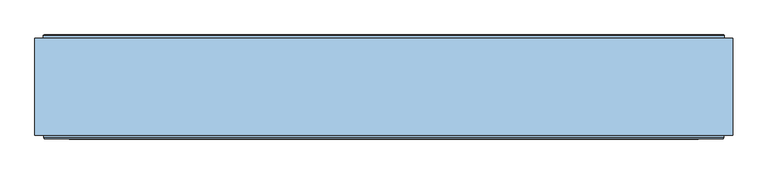
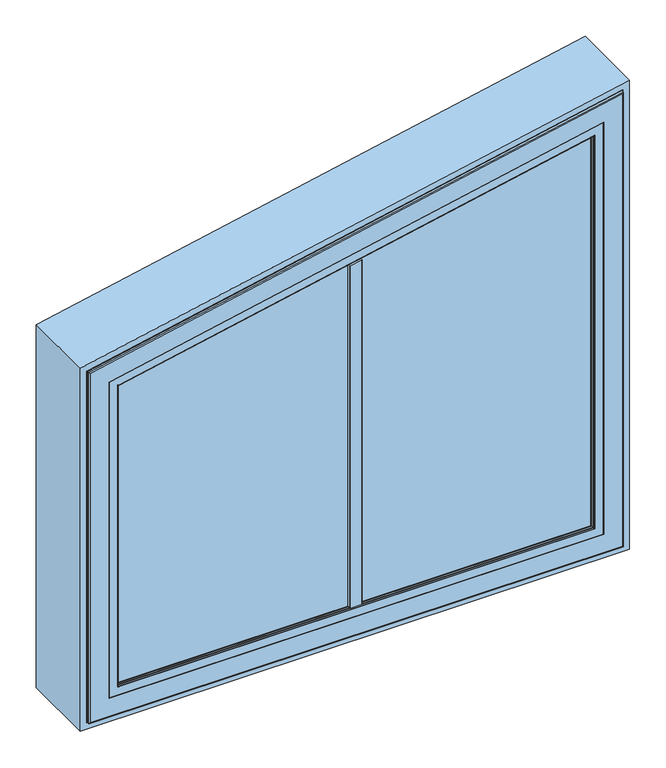
"""IFC4 building model written with IfcOpenShell, lengths in millimetres: window geometry."""

from ifc_helpers import new_model, si_unit, frame, origin, place, context, project, spatial, polyline, circle_curve, ellipse_curve, outline, extrude, faceted_brep, source, transform, mapped, element, save
from ifc_brep_helpers import plane_surface, cylinder_surface, revolved_surface, advanced_brep


def window_d5622c9e(model_context):
    return source(origin(), model_context, "Body", "SolidModel", [
        advanced_brep(
        [(11.0, -146.5000014, 1531.5200527), (-11.0, -146.5000014, 1527.4414398), (-11.0, -152.1239329, 1527.4414398), (-10.5, -152.6239329, 1527.5341355), (10.5, -152.6239329, 1531.4273569), (11.0, -152.1239329, 1531.5200527), (-11.0, -146.5000014, 868.4807462), (11.0, -146.5000014, 868.4807462), (11.0, -152.1239329, 868.4807462), (10.5, -152.6239329, 868.4807462), (-10.5, -152.6239329, 868.4807462), (-11.0, -152.1239329, 868.4807462)],
        [
            (0, 1),
            (1, 2),
            (2, 3, ellipse_curve(frame((-10.5, -152.1239329, 1527.5341355), z_axis=(-0.18228538480969145, 0.0, 0.9832456653780798), x_axis=(0.9832456653780799, 0.0, 0.18228538480969056)), 0.5085199, 0.5)),
            (3, 4),
            (4, 5, ellipse_curve(frame((10.5, -152.1239329, 1531.4273569), z_axis=(-0.18228538480969145, 0.0, 0.9832456653780798), x_axis=(0.9832456653780799, 0.0, 0.18228538480969056)), 0.5085199, 0.5)),
            (5, 0),
            (6, 7),
            (7, 8),
            (8, 9, circle_curve(frame((10.5, -152.1239329, 868.4807462), z_axis=(0.0, 0.0, -1.0), x_axis=(1.0, 0.0, 0.0)), 0.5)),
            (9, 10),
            (10, 11, circle_curve(frame((-10.5, -152.1239329, 868.4807462), z_axis=(0.0, 0.0, -1.0), x_axis=(1.0, 0.0, 0.0)), 0.5)),
            (11, 6),
            (6, 1),
            (0, 7),
            (5, 8),
            (4, 9),
            (3, 10),
            (2, 11),
        ],
        [
            plane_surface(frame((-431.5192538, -157.1719966, 1449.4807462), z_axis=(-0.18228538480969145, 0.0, 0.9832456653780798), x_axis=(0.0, 1.0, 0.0))),
            plane_surface(frame((-11.0, -152.1239329, 868.4807462), z_axis=(0.0, 0.0, -1.0), x_axis=(0.0, 1.0, 0.0))),
            plane_surface(frame((11.0, -146.5000014, 1609.4807462), z_axis=(0.0, 1.0, 0.0), x_axis=(0.0, 0.0, -1.0))),
            plane_surface(frame((11.0, -152.1239329, 1609.4807462), z_axis=(1.0, 0.0, 0.0), x_axis=(0.0, 0.0, -1.0))),
            cylinder_surface(frame((10.5, -152.1239329, 868.4807462), z_axis=(0.0, 0.0, 1.0), x_axis=(1.0, 0.0, 0.0)), 0.5),
            plane_surface(frame((-10.5, -152.6239329, 1609.4807462), z_axis=(0.0, -1.0, 0.0), x_axis=(0.0, 0.0, -1.0))),
            cylinder_surface(frame((-10.5, -152.1239329, 868.4807462), z_axis=(0.0, 0.0, 1.0), x_axis=(1.0, 0.0, 0.0)), 0.5),
            plane_surface(frame((-11.0, -146.5000014, 1609.4807462), z_axis=(-1.0, 0.0, 0.0), x_axis=(0.0, 0.0, -1.0))),
        ],
        [
            (0, [[1, 2, 3, 4, 5, 6]]),
            (1, [[7, 8, 9, 10, 11, 12]]),
            (2, [[-7, 13, -1, 14]]),
            (3, [[-8, -14, -6, 15]]),
            (4, [[-9, -15, -5, 16]]),
            (5, [[-10, -16, -4, 17]]),
            (6, [[-11, -17, -3, 18]]),
            (7, [[-12, -18, -2, -13]]),
        ],
    ),
        advanced_brep(
        [(11.0, -118.5000018, 1531.5200527), (11.0, -112.8760703, 1531.5200527), (10.5, -112.3760703, 1531.4273569), (-10.5, -112.3760703, 1527.5341355), (-11.0, -112.8760703, 1527.4414398), (-11.0, -118.5000018, 1527.4414398), (-11.0, -118.5000018, 868.4807462), (-11.0, -112.8760703, 868.4807462), (-10.5, -112.3760703, 868.4807462), (10.5, -112.3760703, 868.4807462), (11.0, -112.8760703, 868.4807462), (11.0, -118.5000018, 868.4807462)],
        [
            (0, 1),
            (1, 2, ellipse_curve(frame((10.5, -112.8760703, 1531.4273569), z_axis=(-0.18228538480969098, 0.0, 0.9832456653780798), x_axis=(0.9832456653780799, 0.0, 0.182285384809691)), 0.5085199, 0.5)),
            (2, 3),
            (3, 4, ellipse_curve(frame((-10.5, -112.8760703, 1527.5341355), z_axis=(-0.18228538480969098, 0.0, 0.9832456653780798), x_axis=(0.9832456653780799, 0.0, 0.182285384809691)), 0.5085199, 0.5)),
            (4, 5),
            (5, 0),
            (6, 7),
            (7, 8, circle_curve(frame((-10.5, -112.8760703, 868.4807462), z_axis=(0.0, 0.0, -1.0), x_axis=(1.0, 0.0, 0.0)), 0.5)),
            (8, 9),
            (9, 10, circle_curve(frame((10.5, -112.8760703, 868.4807462), z_axis=(0.0, 0.0, -1.0), x_axis=(1.0, 0.0, 0.0)), 0.5)),
            (10, 11),
            (11, 6),
            (11, 0),
            (5, 6),
            (10, 1),
            (9, 2),
            (8, 3),
            (7, 4),
        ],
        [
            plane_surface(frame((-431.5192538, -107.8280067, 1449.4807462), z_axis=(-0.18228538480969098, 0.0, 0.9832456653780798), x_axis=(0.0, -1.0, 0.0))),
            plane_surface(frame((-11.0, -112.8760703, 868.4807462), z_axis=(0.0, 0.0, -1.0), x_axis=(0.0, -1.0, 0.0))),
            plane_surface(frame((11.0, -118.5000018, 1609.4807462), z_axis=(0.0, -1.0, 0.0), x_axis=(0.0, 0.0, -1.0))),
            plane_surface(frame((11.0, -112.8760703, 1609.4807462), z_axis=(1.0, 0.0, 0.0), x_axis=(0.0, 0.0, -1.0))),
            cylinder_surface(frame((10.5, -112.8760703, 868.4807462), z_axis=(0.0, 0.0, 1.0), x_axis=(1.0, 0.0, 0.0)), 0.5),
            plane_surface(frame((-10.5, -112.3760703, 1609.4807462), z_axis=(0.0, 1.0, 0.0), x_axis=(0.0, 0.0, -1.0))),
            cylinder_surface(frame((-10.5, -112.8760703, 868.4807462), z_axis=(0.0, 0.0, 1.0), x_axis=(1.0, 0.0, 0.0)), 0.5),
            plane_surface(frame((-11.0, -118.5000018, 1609.4807462), z_axis=(-1.0, 0.0, 0.0), x_axis=(0.0, 0.0, -1.0))),
        ],
        [
            (0, [[1, 2, 3, 4, 5, 6]]),
            (1, [[7, 8, 9, 10, 11, 12]]),
            (2, [[13, -6, 14, -12]]),
            (3, [[15, -1, -13, -11]]),
            (4, [[16, -2, -15, -10]]),
            (5, [[17, -3, -16, -9]]),
            (6, [[18, -4, -17, -8]]),
            (7, [[-14, -5, -18, -7]]),
        ],
    ),
        extrude(outline(polyline([(1642.8042241, 450.514074), (1458.1673086, -450.514074), (849.485926, -450.514074), (849.485926, 450.514074), (1642.8042241, 450.514074)])), frame((0.0, -146.5000019, 0.0), z_axis=(0.0, 1.0, 0.0), x_axis=(0.0, 0.0, 1.0)), (0.0, 0.0, 1.0), 28.0000001),
        extrude(outline(polyline([(1703.4590164, 500.0), (1498.5409836, -500.0), (800.0, -500.0), (800.0, 500.0), (1703.4590164, 500.0)]), holes=[polyline([(1488.7506424, -488.0), (1688.7506424, 488.0), (812.0, 488.0), (812.0, -488.0), (1488.7506424, -488.0)])]), frame((0.0, -148.3866107, 0.0), z_axis=(0.0, 1.0, 0.0), x_axis=(0.0, 0.0, 1.0)), (0.0, 0.0, 1.0), 138.3866091),
        advanced_brep(
        [(-478.0, -6.5000014, 1480.5920247), (-478.0, -6.5000014, 822.0), (-479.5, -5.0000014, 820.5), (-479.5, -5.0000014, 1481.8158174), (-478.0, -142.5000016, 1480.5920247), (-478.0, -142.5000016, 822.0), (-488.0, -6.5000014, 1488.7506424), (-488.0, -6.5000014, 812.0), (-488.0, -142.5000016, 812.0), (-488.0, -142.5000016, 1488.7506424), (-486.5, -5.0000014, 1487.5268497), (-486.5, -5.0000014, 813.5), (478.0, -6.5000014, 822.0), (479.5, -5.0000014, 820.5), (478.0, -142.5000016, 822.0), (488.0, -6.5000014, 812.0), (488.0, -142.5000016, 812.0), (486.5, -5.0000014, 813.5), (478.0, -6.5000014, 1676.4936641), (479.5, -5.0000014, 1678.3322108), (478.0, -142.5000016, 1676.4936641), (488.0, -6.5000014, 1688.7506424), (488.0, -142.5000016, 1688.7506424), (486.5, -5.0000014, 1686.9120957)],
        [
            (0, 1),
            (1, 2, ellipse_curve(frame((-479.5, -6.5000014, 820.5), z_axis=(-0.7071067811865475, 0.0, 0.7071067811865475), x_axis=(0.7071067811865474, 0.0, 0.7071067811865476)), 2.1213203, 1.5)),
            (2, 3),
            (3, 0, ellipse_curve(frame((-479.5, -6.5000014, 1481.8158174), z_axis=(-0.6321603596303063, 0.0, -0.774837582795312), x_axis=(-0.7748375827953122, 0.0, 0.6321603596303063)), 1.9358896, 1.5)),
            (4, 5),
            (5, 1),
            (0, 4),
            (6, 7),
            (7, 8),
            (8, 9),
            (9, 6),
            (10, 11),
            (11, 7, ellipse_curve(frame((-486.5, -6.5000014, 813.5), z_axis=(-0.7071067811865475, 0.0, 0.7071067811865475), x_axis=(0.7071067811865474, 0.0, 0.7071067811865476)), 2.1213203, 1.5)),
            (6, 10, ellipse_curve(frame((-486.5, -6.5000014, 1487.5268497), z_axis=(-0.6321603596303063, 0.0, -0.774837582795312), x_axis=(-0.7748375827953122, 0.0, 0.6321603596303063)), 1.9358896, 1.5)),
            (1, 12),
            (12, 13, ellipse_curve(frame((479.5, -6.5000014, 820.5), z_axis=(-0.7071067811865475, 0.0, -0.7071067811865475), x_axis=(-0.7071067811865476, 0.0, 0.7071067811865474)), 2.1213203, 1.5)),
            (13, 2),
            (5, 14),
            (14, 12),
            (7, 15),
            (15, 16),
            (16, 8),
            (11, 17),
            (17, 15, ellipse_curve(frame((486.5, -6.5000014, 813.5), z_axis=(-0.7071067811865475, 0.0, -0.7071067811865475), x_axis=(-0.7071067811865476, 0.0, 0.7071067811865474)), 2.1213203, 1.5)),
            (12, 18),
            (18, 19, ellipse_curve(frame((479.5, -6.5000014, 1678.3322108), z_axis=(0.7748375827953119, 0.0, -0.6321603596303063), x_axis=(-0.6321603596303063, 0.0, -0.774837582795312)), 2.3728157, 1.5)),
            (19, 13),
            (14, 20),
            (20, 18),
            (15, 21),
            (21, 22),
            (22, 16),
            (17, 23),
            (23, 21, ellipse_curve(frame((486.5, -6.5000014, 1686.9120957), z_axis=(0.7748375827953119, 0.0, -0.6321603596303063), x_axis=(-0.6321603596303063, 0.0, -0.774837582795312)), 2.3728157, 1.5)),
            (18, 0),
            (3, 19),
            (20, 4),
            (22, 9),
            (21, 6),
            (23, 10),
        ],
        [
            cylinder_surface(frame((-479.5, -6.5000014, 1488.7506424), z_axis=(0.0, 0.0, 1.0), x_axis=(1.0, 0.0, 0.0)), 1.5),
            plane_surface(frame((-478.0, -6.5000014, 1480.5920247), z_axis=(1.0, 0.0, 0.0), x_axis=(0.0, 0.0, -1.0))),
            plane_surface(frame((-488.0, -142.5000016, 1488.7506424), z_axis=(-1.0, 0.0, 0.0), x_axis=(0.0, 0.0, -1.0))),
            cylinder_surface(frame((-486.5, -6.5000014, 1488.7506424), z_axis=(0.0, 0.0, 1.0), x_axis=(1.0, 0.0, 0.0)), 1.5),
            cylinder_surface(frame((-488.0, -6.5000014, 820.5), z_axis=(-1.0, 0.0, 0.0), x_axis=(0.0, 0.0, 1.0)), 1.5),
            plane_surface(frame((-478.0, -6.5000014, 822.0), z_axis=(0.0, 0.0, 1.0), x_axis=(1.0, 0.0, 0.0))),
            plane_surface(frame((-488.0, -142.5000016, 812.0), z_axis=(0.0, 0.0, -1.0), x_axis=(1.0, 0.0, 0.0))),
            cylinder_surface(frame((-488.0, -6.5000014, 813.5), z_axis=(-1.0, 0.0, 0.0), x_axis=(0.0, 0.0, 1.0)), 1.5),
            cylinder_surface(frame((479.5, -6.5000014, 812.0), z_axis=(0.0, 0.0, -1.0), x_axis=(-1.0, 0.0, 0.0)), 1.5),
            plane_surface(frame((478.0, -6.5000014, 822.0), z_axis=(-1.0, 0.0, 0.0), x_axis=(0.0, 0.0, 1.0))),
            plane_surface(frame((488.0, -142.5000016, 812.0), z_axis=(1.0, 0.0, 0.0), x_axis=(0.0, 0.0, 1.0))),
            cylinder_surface(frame((486.5, -6.5000014, 812.0), z_axis=(0.0, 0.0, -1.0), x_axis=(-1.0, 0.0, 0.0)), 1.5),
            cylinder_surface(frame((489.7063458, -6.5000014, 1680.4236751), z_axis=(0.9796432099899232, 0.0, 0.20074655942416372), x_axis=(0.20074655942416372, 0.0, -0.9796432099899232)), 1.5),
            plane_surface(frame((478.0, -6.5000014, 1676.4936641), z_axis=(0.20074655942416333, 0.0, -0.9796432099899233), x_axis=(-0.9796432099899233, 0.0, -0.20074655942416333))),
            plane_surface(frame((478.0, -142.5000016, 1676.4936641), z_axis=(0.0, -1.0, 0.0), x_axis=(-0.9796432099899232, 0.0, -0.20074655942416383))),
            plane_surface(frame((488.0, -142.5000016, 1688.7506424), z_axis=(-0.2007465594241636, 0.0, 0.9796432099899233), x_axis=(-0.9796432099899233, 0.0, -0.2007465594241636))),
            cylinder_surface(frame((488.3011198, -6.5000014, 1687.2811776), z_axis=(0.9796432099899232, 0.0, 0.20074655942416372), x_axis=(0.20074655942416372, 0.0, -0.9796432099899232)), 1.5),
            plane_surface(frame((486.5, -5.0000014, 1686.9120957), z_axis=(0.0, 1.0000000000000002, 0.0), x_axis=(-0.9796432099899233, 0.0, -0.2007465594241636))),
        ],
        [
            (0, [[1, 2, 3, 4]]),
            (1, [[5, 6, -1, 7]]),
            (2, [[8, 9, 10, 11]]),
            (3, [[12, 13, -8, 14]]),
            (4, [[15, 16, 17, -2]]),
            (5, [[18, 19, -15, -6]]),
            (6, [[20, 21, 22, -9]]),
            (7, [[23, 24, -20, -13]]),
            (8, [[25, 26, 27, -16]]),
            (9, [[28, 29, -25, -19]]),
            (10, [[30, 31, 32, -21]]),
            (11, [[33, 34, -30, -24]]),
            (12, [[35, -4, 36, -26]]),
            (13, [[37, -7, -35, -29]]),
            (14, [[-10, -22, -32, 38], [-5, -37, -28, -18]]),
            (15, [[39, -11, -38, -31]]),
            (16, [[40, -14, -39, -34]]),
            (17, [[-12, -40, -33, -23], [-3, -17, -27, -36]]),
        ],
    ),
        faceted_brep([(-450.0, -142.5000017, 1457.7478952), (-450.0, -142.5000017, 850.0), (-450.0, -118.5000018, 850.0), (-450.0, -118.5000018, 1457.7478952), (-478.0, -63.3258286, 1480.5920247), (-478.0, -63.3258286, 822.0), (-478.0, -142.5000017, 822.0), (-478.0, -142.5000017, 1480.5920247), (-471.2, -59.5000018, 1475.0441647), (-471.2, -59.5000018, 828.8), (-471.2, -63.3258286, 828.8), (-471.2, -63.3258286, 1475.0441647), (-428.0, -118.5000018, 1439.7989364), (-428.0, -118.5000018, 872.0), (-428.0, -59.5000018, 872.0), (-428.0, -59.5000018, 1439.7989364), (450.0, -142.5000017, 850.0), (450.0, -118.5000018, 850.0), (478.0, -63.3258286, 822.0), (478.0, -142.5000017, 822.0), (471.2, -59.5000018, 828.8), (471.2, -63.3258286, 828.8), (428.0, -118.5000018, 872.0), (428.0, -59.5000018, 872.0), (450.0, -142.5000017, 1642.1741248), (450.0, -118.5000018, 1642.1741248), (478.0, -63.3258286, 1676.4936641), (478.0, -142.5000017, 1676.4936641), (471.2, -59.5000018, 1668.1589188), (471.2, -63.3258286, 1668.1589188), (428.0, -118.5000018, 1615.2087724), (428.0, -59.5000018, 1615.2087724)], [[[0, 1, 2, 3]], [[4, 5, 6, 7]], [[8, 9, 10, 11]], [[12, 13, 14, 15]], [[1, 16, 17, 2]], [[5, 18, 19, 6]], [[9, 20, 21, 10]], [[13, 22, 23, 14]], [[16, 24, 25, 17]], [[18, 26, 27, 19]], [[20, 28, 29, 21]], [[22, 30, 31, 23]], [[24, 0, 3, 25]], [[7, 6, 19, 27], [1, 0, 24, 16]], [[26, 4, 7, 27]], [[5, 4, 26, 18], [11, 10, 21, 29]], [[28, 8, 11, 29]], [[9, 8, 28, 20], [15, 14, 23, 31]], [[30, 12, 15, 31]], [[3, 2, 17, 25], [13, 12, 30, 22]]]),
        advanced_brep(
        [(-487.0, -152.5000018, 1487.9347806), (-487.0, -152.5000018, 813.0), (-485.5000001, -154.0000016, 814.4999999), (-485.5000001, -154.0000016, 1486.7109881), (-487.0, -148.3866107, 1487.9347806), (-487.0, -148.3866107, 813.0), (-488.0, -142.5000017, 1488.7506424), (-488.0, -142.5000017, 812.0), (-488.0, -148.3866107, 812.0), (-488.0, -148.3866107, 1488.7506424), (-450.0, -146.5000019, 1457.7478952), (-450.0, -146.5000019, 850.0), (-450.0, -142.5000017, 850.0), (-450.0, -142.5000017, 1457.7478952), (-431.5192538, -147.4871074, 1442.670161), (-431.5192538, -147.4871074, 868.4807462), (-431.4938789, -146.5000019, 868.5061211), (-431.4938789, -146.5000019, 1442.6494586), (-433.5962483, -148.7951832, 1444.3647014), (-433.5962483, -148.7951832, 866.4037517), (-434.0, -149.7544748, 1444.6941069), (-434.0, -149.7544748, 866.0), (-434.0, -153.0000016, 1444.6941069), (-434.0, -153.0000016, 866.0), (-434.5, -153.5000016, 1445.1020379), (-434.5, -153.5000016, 865.5), (-450.514074, -154.0000016, 1458.1673086), (-450.514074, -154.0000016, 849.485926), (-449.8, -153.5000016, 850.2), (-449.8, -153.5000016, 1457.5847229), (487.0, -152.5000018, 813.0), (485.5000001, -154.0000016, 814.4999999), (487.0, -148.3866107, 813.0), (488.0, -142.5000017, 812.0), (488.0, -148.3866107, 812.0), (450.0, -146.5000019, 850.0), (450.0, -142.5000017, 850.0), (431.5192538, -147.4871074, 868.4807462), (431.4938789, -146.5000019, 868.5061211), (433.5962483, -148.7951832, 866.4037517), (434.0, -149.7544748, 866.0), (434.0, -153.0000016, 866.0), (434.5, -153.5000016, 865.5), (450.514074, -154.0000016, 849.485926), (449.8, -153.5000016, 850.2), (487.0, -152.5000018, 1687.5249445), (485.5000001, -154.0000016, 1685.686398), (487.0, -148.3866107, 1687.5249445), (488.0, -142.5000017, 1688.7506424), (488.0, -148.3866107, 1688.7506424), (450.0, -146.5000019, 1642.1741248), (450.0, -142.5000017, 1642.1741248), (431.5192538, -147.4871074, 1619.5223142), (431.4938789, -146.5000019, 1619.4912122), (433.5962483, -148.7951832, 1622.0680819), (434.0, -149.7544748, 1622.5629594), (434.0, -153.0000016, 1622.5629594), (434.5, -153.5000016, 1623.1758083), (450.514074, -154.0000016, 1642.8042241), (449.8, -153.5000016, 1641.9289852)],
        [
            (0, 1),
            (1, 2, ellipse_curve(frame((-485.5000001, -152.5000018, 814.4999999), z_axis=(-0.7071067811865475, 0.0, 0.7071067811865475), x_axis=(0.7071067811865474, 0.0, 0.7071067811865476)), 2.1213201, 1.4999998)),
            (2, 3),
            (3, 0, ellipse_curve(frame((-485.5000001, -152.5000018, 1486.7109881), z_axis=(-0.6321603596303063, 0.0, -0.774837582795312), x_axis=(-0.7748375827953122, 0.0, 0.6321603596303063)), 1.9358894, 1.4999998)),
            (4, 5),
            (5, 1),
            (0, 4),
            (6, 7),
            (7, 8),
            (8, 9),
            (9, 6),
            (10, 11),
            (11, 12),
            (12, 13),
            (13, 10),
            (14, 15),
            (15, 16, ellipse_curve(frame((-431.4938789, -146.9938808, 868.5061211), z_axis=(-0.7071067811865475, 0.0, 0.7071067811865475), x_axis=(0.7071067811865474, 0.0, 0.7071067811865476)), 0.6984503, 0.4938789)),
            (16, 17),
            (17, 14, ellipse_curve(frame((-431.4938789, -146.9938808, 1442.6494586), z_axis=(-0.6321603596303063, 0.0, -0.774837582795312), x_axis=(-0.7748375827953122, 0.0, 0.6321603596303063)), 0.6373967, 0.4938789)),
            (18, 19),
            (19, 15, ellipse_curve(frame((-431.6227187, -149.6258125, 868.3772813), z_axis=(0.7071067811865475, 0.0, -0.7071067811865475), x_axis=(-0.7071067811865474, 0.0, -0.7071067811865476)), 3.028123, 2.1412063)),
            (14, 18, ellipse_curve(frame((-431.6227187, -149.6258125, 1442.754574), z_axis=(0.6321603596303063, 0.0, 0.774837582795312), x_axis=(0.7748375827953122, 0.0, -0.6321603596303063)), 2.763426, 2.1412063)),
            (20, 21),
            (21, 19),
            (18, 20),
            (22, 23),
            (23, 21),
            (20, 22),
            (24, 25),
            (25, 23, ellipse_curve(frame((-434.5, -153.0000016, 865.5), z_axis=(-0.7071067811865475, 0.0, 0.7071067811865475), x_axis=(0.7071067811865474, 0.0, 0.7071067811865476)), 0.7071068, 0.5)),
            (22, 24, ellipse_curve(frame((-434.5, -153.0000016, 1445.1020379), z_axis=(-0.6321603596303063, 0.0, -0.774837582795312), x_axis=(-0.7748375827953122, 0.0, 0.6321603596303063)), 0.6452966, 0.5)),
            (26, 27),
            (27, 28),
            (28, 29),
            (29, 26),
            (1, 30),
            (30, 31, ellipse_curve(frame((485.5000001, -152.5000018, 814.4999999), z_axis=(-0.7071067811865475, 0.0, -0.7071067811865475), x_axis=(-0.7071067811865476, 0.0, 0.7071067811865474)), 2.1213201, 1.4999998)),
            (31, 2),
            (5, 32),
            (32, 30),
            (7, 33),
            (33, 34),
            (34, 8),
            (11, 35),
            (35, 36),
            (36, 12),
            (15, 37),
            (37, 38, ellipse_curve(frame((431.4938789, -146.9938808, 868.5061211), z_axis=(-0.7071067811865475, 0.0, -0.7071067811865475), x_axis=(-0.7071067811865476, 0.0, 0.7071067811865474)), 0.6984503, 0.4938789)),
            (38, 16),
            (19, 39),
            (39, 37, ellipse_curve(frame((431.6227187, -149.6258125, 868.3772813), z_axis=(0.7071067811865475, 0.0, 0.7071067811865475), x_axis=(0.7071067811865476, 0.0, -0.7071067811865474)), 3.028123, 2.1412063)),
            (21, 40),
            (40, 39),
            (23, 41),
            (41, 40),
            (25, 42),
            (42, 41, ellipse_curve(frame((434.5, -153.0000016, 865.5), z_axis=(-0.7071067811865475, 0.0, -0.7071067811865475), x_axis=(-0.7071067811865476, 0.0, 0.7071067811865474)), 0.7071068, 0.5)),
            (27, 43),
            (43, 44),
            (44, 28),
            (30, 45),
            (45, 46, ellipse_curve(frame((485.5000001, -152.5000018, 1685.686398), z_axis=(0.7748375827953119, 0.0, -0.6321603596303063), x_axis=(-0.6321603596303063, 0.0, -0.774837582795312)), 2.3728154, 1.4999998)),
            (46, 31),
            (32, 47),
            (47, 45),
            (33, 48),
            (48, 49),
            (49, 34),
            (35, 50),
            (50, 51),
            (51, 36),
            (37, 52),
            (52, 53, ellipse_curve(frame((431.4938789, -146.9938808, 1619.4912122), z_axis=(0.7748375827953119, 0.0, -0.6321603596303063), x_axis=(-0.6321603596303063, 0.0, -0.774837582795312)), 0.7812558, 0.4938789)),
            (53, 38),
            (39, 54),
            (54, 52, ellipse_curve(frame((431.6227187, -149.6258125, 1619.6491309), z_axis=(-0.7748375827953119, 0.0, 0.6321603596303063), x_axis=(0.6321603596303063, 0.0, 0.774837582795312)), 3.3871252, 2.1412063)),
            (40, 55),
            (55, 54),
            (41, 56),
            (56, 55),
            (42, 57),
            (57, 56, ellipse_curve(frame((434.5, -153.0000016, 1623.1758083), z_axis=(0.7748375827953119, 0.0, -0.6321603596303063), x_axis=(-0.6321603596303063, 0.0, -0.774837582795312)), 0.7909386, 0.5)),
            (43, 58),
            (58, 59),
            (59, 44),
            (46, 3),
            (26, 58),
            (45, 0),
            (47, 4),
            (49, 9),
            (48, 6),
            (51, 13),
            (50, 10),
            (53, 17),
            (52, 14),
            (54, 18),
            (55, 20),
            (56, 22),
            (57, 24),
            (59, 29),
        ],
        [
            cylinder_surface(frame((-485.5000001, -152.5000018, 1488.7506424), z_axis=(0.0, 0.0, 1.0), x_axis=(1.0, 0.0, 0.0)), 1.4999998),
            plane_surface(frame((-487.0, -152.5000018, 1487.9347806), z_axis=(-1.0, 0.0, 0.0), x_axis=(0.0, 0.0, -1.0))),
            plane_surface(frame((-488.0, -148.3866107, 1488.7506424), z_axis=(-1.0, 0.0, 0.0), x_axis=(0.0, 0.0, -1.0))),
            plane_surface(frame((-450.0, -142.5000017, 1457.7478952), z_axis=(1.0, 0.0, 0.0), x_axis=(0.0, 0.0, -1.0))),
            cylinder_surface(frame((-431.4938789, -146.9938808, 1488.7506424), z_axis=(0.0, 0.0, 1.0), x_axis=(1.0, 0.0, 0.0)), 0.4938789),
            revolved_surface(polyline([(-429.4815124, -149.6258125, 866.2360749924331), (-429.4815124, -149.6258125, 1444.5015023739718)]), (-431.6227187, -149.6258125, 1488.7506424), (0.0, 0.0, -1.0)),
            plane_surface(frame((-433.5962483, -148.7951832, 1444.3647014), z_axis=(0.9216905703602581, -0.387925885329894, 0.0), x_axis=(0.0, 0.0, -1.0))),
            plane_surface(frame((-434.0, -149.7544748, 1444.6941069), z_axis=(1.0, 0.0, 0.0), x_axis=(0.0, 0.0, -1.0))),
            cylinder_surface(frame((-434.5, -153.0000016, 1488.7506424), z_axis=(0.0, 0.0, 1.0), x_axis=(1.0, 0.0, 0.0)), 0.5),
            plane_surface(frame((-449.8, -153.5000016, 1457.5847229), z_axis=(0.5735764363510224, -0.8191520442890083, 0.0), x_axis=(0.0, 0.0, -1.0))),
            cylinder_surface(frame((-488.0, -152.5000018, 814.4999999), z_axis=(-1.0, 0.0, 0.0), x_axis=(0.0, 0.0, 1.0)), 1.4999998),
            plane_surface(frame((-487.0, -152.5000018, 813.0), z_axis=(0.0, 0.0, -1.0), x_axis=(1.0, 0.0, 0.0))),
            plane_surface(frame((-488.0, -148.3866107, 812.0), z_axis=(0.0, 0.0, -1.0), x_axis=(1.0, 0.0, 0.0))),
            plane_surface(frame((-450.0, -142.5000017, 850.0), z_axis=(0.0, 0.0, 1.0), x_axis=(1.0, 0.0, 0.0))),
            cylinder_surface(frame((-488.0, -146.9938808, 868.5061211), z_axis=(-1.0, 0.0, 0.0), x_axis=(0.0, 0.0, 1.0)), 0.4938789),
            revolved_surface(polyline([(433.76392500756685, -149.6258125, 870.5184876000001), (-433.76392500756697, -149.6258125, 870.5184876000001)]), (-488.0, -149.6258125, 868.3772813), (1.0, 0.0, 0.0)),
            plane_surface(frame((-433.5962483, -148.7951832, 866.4037517), z_axis=(0.0, -0.387925885329897, 0.9216905703602569), x_axis=(1.0, 0.0, 0.0))),
            plane_surface(frame((-434.0, -149.7544748, 866.0), z_axis=(0.0, 0.0, 1.0), x_axis=(1.0, 0.0, 0.0))),
            cylinder_surface(frame((-488.0, -153.0000016, 865.5), z_axis=(-1.0, 0.0, 0.0), x_axis=(0.0, 0.0, 1.0)), 0.5),
            plane_surface(frame((-449.8, -153.5000016, 850.2), z_axis=(0.0, -0.8191520442890102, 0.5735764363510197), x_axis=(1.0, 0.0, 0.0))),
            cylinder_surface(frame((485.5000001, -152.5000018, 812.0), z_axis=(0.0, 0.0, -1.0), x_axis=(-1.0, 0.0, 0.0)), 1.4999998),
            plane_surface(frame((487.0, -152.5000018, 813.0), z_axis=(1.0, 0.0, 0.0), x_axis=(0.0, 0.0, 1.0))),
            plane_surface(frame((488.0, -148.3866107, 812.0), z_axis=(1.0, 0.0, 0.0), x_axis=(0.0, 0.0, 1.0))),
            plane_surface(frame((450.0, -142.5000017, 850.0), z_axis=(-1.0, 0.0, 0.0), x_axis=(0.0, 0.0, 1.0))),
            cylinder_surface(frame((431.4938789, -146.9938808, 812.0), z_axis=(0.0, 0.0, -1.0), x_axis=(-1.0, 0.0, 0.0)), 0.4938789),
            revolved_surface(polyline([(429.4815124, -149.6258125, 1622.2736028025931), (429.4815124, -149.6258125, 866.2360749924331)]), (431.6227187, -149.6258125, 812.0), (0.0, 0.0, 1.0)),
            plane_surface(frame((433.5962483, -148.7951832, 866.4037517), z_axis=(-0.9216905703602557, -0.3879258853299, 0.0), x_axis=(0.0, 0.0, 1.0))),
            plane_surface(frame((434.0, -149.7544748, 866.0), z_axis=(-1.0, 0.0, 0.0), x_axis=(0.0, 0.0, 1.0))),
            cylinder_surface(frame((434.5, -153.0000016, 812.0), z_axis=(0.0, 0.0, -1.0), x_axis=(-1.0, 0.0, 0.0)), 0.5),
            plane_surface(frame((449.8, -153.5000016, 850.2), z_axis=(-0.5735764363510171, -0.8191520442890121, 0.0), x_axis=(0.0, 0.0, 1.0))),
            plane_surface(frame((450.514074, -154.0000016, 1642.8042241), z_axis=(0.0, -1.0000000000000002, 0.0), x_axis=(-0.9796432099899233, 0.0, -0.2007465594241636))),
            cylinder_surface(frame((488.5018664, -152.5000018, 1686.3015345), z_axis=(0.9796432099899232, 0.0, 0.20074655942416372), x_axis=(0.20074655942416372, 0.0, -0.9796432099899232)), 1.4999998),
            plane_surface(frame((487.0, -152.5000018, 1687.5249445), z_axis=(-0.2007465594241637, 0.0, 0.9796432099899233), x_axis=(-0.9796432099899233, 0.0, -0.2007465594241637))),
            plane_surface(frame((487.0, -148.3866107, 1687.5249445), z_axis=(0.0, -1.0, 0.0), x_axis=(-0.9796432099899233, 0.0, -0.20074655942416358))),
            plane_surface(frame((488.0, -148.3866107, 1688.7506424), z_axis=(-0.20074655942416353, 0.0, 0.9796432099899233), x_axis=(-0.9796432099899233, 0.0, -0.20074655942416353))),
            plane_surface(frame((488.0, -142.5000017, 1688.7506424), z_axis=(0.0, 1.0, 0.0), x_axis=(-0.9796432099899233, 0.0, -0.20074655942416353))),
            plane_surface(frame((450.0, -142.5000017, 1642.1741248), z_axis=(0.2007465594241635, 0.0, -0.9796432099899233), x_axis=(-0.9796432099899233, 0.0, -0.2007465594241635))),
            plane_surface(frame((450.0, -146.5000019, 1642.1741248), z_axis=(0.0, 1.0, 0.0), x_axis=(-0.9796432099899232, 0.0, -0.20074655942416392))),
            cylinder_surface(frame((499.3434094, -146.9938808, 1633.3948046), z_axis=(0.9796432099899232, 0.0, 0.20074655942416372), x_axis=(0.20074655942416372, 0.0, -0.9796432099899232)), 0.4938789),
            revolved_surface(polyline([(-432.9042454337642, -149.6258125, 1440.306265983021), (434.62360457628216, -149.6258125, 1618.0783663949148)]), (499.3175453, -149.6258125, 1633.5210216), (-0.9796432099899232, 0.0, -0.20074655942416372)),
            plane_surface(frame((433.5962483, -148.7951832, 1622.0680819), z_axis=(0.18502621085351803, -0.3879258853298964, -0.9029279089651652), x_axis=(-0.9796432099899232, 0.0, -0.20074655942416383))),
            plane_surface(frame((434.0, -149.7544748, 1622.5629594), z_axis=(0.20074655942416372, 0.0, -0.9796432099899232), x_axis=(-0.9796432099899232, 0.0, -0.20074655942416372))),
            cylinder_surface(frame((498.7399409, -153.0000016, 1636.3397307), z_axis=(0.9796432099899232, 0.0, 0.20074655942416372), x_axis=(0.20074655942416372, 0.0, -0.9796432099899232)), 0.5),
            plane_surface(frame((434.5, -153.5000016, 1623.1758083), z_axis=(0.0, -1.0, 0.0), x_axis=(-0.9796432099899233, 0.0, -0.20074655942416342))),
            plane_surface(frame((449.8, -153.5000016, 1641.9289852), z_axis=(0.11514349616424259, -0.81915204428901, -0.5619002612814938), x_axis=(-0.9796432099899233, 0.0, -0.2007465594241635))),
        ],
        [
            (0, [[1, 2, 3, 4]]),
            (1, [[5, 6, -1, 7]]),
            (2, [[8, 9, 10, 11]]),
            (3, [[12, 13, 14, 15]]),
            (4, [[16, 17, 18, 19]]),
            (5, [[20, 21, -16, 22]]),
            (6, [[23, 24, -20, 25]]),
            (7, [[26, 27, -23, 28]]),
            (8, [[29, 30, -26, 31]]),
            (9, [[32, 33, 34, 35]]),
            (10, [[36, 37, 38, -2]]),
            (11, [[39, 40, -36, -6]]),
            (12, [[41, 42, 43, -9]]),
            (13, [[44, 45, 46, -13]]),
            (14, [[47, 48, 49, -17]]),
            (15, [[50, 51, -47, -21]]),
            (16, [[52, 53, -50, -24]]),
            (17, [[54, 55, -52, -27]]),
            (18, [[56, 57, -54, -30]]),
            (19, [[58, 59, 60, -33]]),
            (20, [[61, 62, 63, -37]]),
            (21, [[64, 65, -61, -40]]),
            (22, [[66, 67, 68, -42]]),
            (23, [[69, 70, 71, -45]]),
            (24, [[72, 73, 74, -48]]),
            (25, [[75, 76, -72, -51]]),
            (26, [[77, 78, -75, -53]]),
            (27, [[79, 80, -77, -55]]),
            (28, [[81, 82, -79, -57]]),
            (29, [[83, 84, 85, -59]]),
            (30, [[-3, -38, -63, 86], [-32, 87, -83, -58]]),
            (31, [[88, -4, -86, -62]]),
            (32, [[89, -7, -88, -65]]),
            (33, [[-10, -43, -68, 90], [-5, -89, -64, -39]]),
            (34, [[91, -11, -90, -67]]),
            (35, [[-8, -91, -66, -41], [-14, -46, -71, 92]]),
            (36, [[93, -15, -92, -70]]),
            (37, [[-12, -93, -69, -44], [-18, -49, -74, 94]]),
            (38, [[95, -19, -94, -73]]),
            (39, [[96, -22, -95, -76]]),
            (40, [[97, -25, -96, -78]]),
            (41, [[98, -28, -97, -80]]),
            (42, [[99, -31, -98, -82]]),
            (43, [[-34, -60, -85, 100], [-29, -99, -81, -56]]),
            (44, [[-87, -35, -100, -84]]),
        ],
    ),
    ])


if __name__ == "__main__":
    model = new_model("IFC4")
    model_context = context("Model", 3, world=origin())
    ifc_project = project(units=[si_unit("LENGTHUNIT", "METRE", prefix="MILLI")], contexts=[model_context])
    site = spatial("IfcSite", under=ifc_project)
    building = spatial("IfcBuilding", under=site)
    placement = place(None, origin())
    window_shape = window_d5622c9e(model_context)
    element("IfcWindow", 1, at=placement, inside=building, context=model_context, shape_type="MappedRepresentation", body=[
        mapped(window_shape, transform((0.0, 0.0, 0.0), x_axis=(1.0, 0.0, 0.0), y_axis=(0.0, 1.0, 0.0), z_axis=(0.0, 0.0, 1.0))),
    ])
    save(model, "model.ifc")
